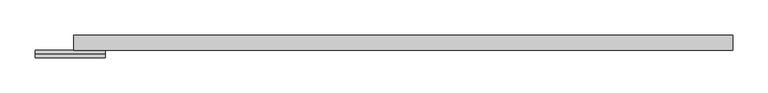
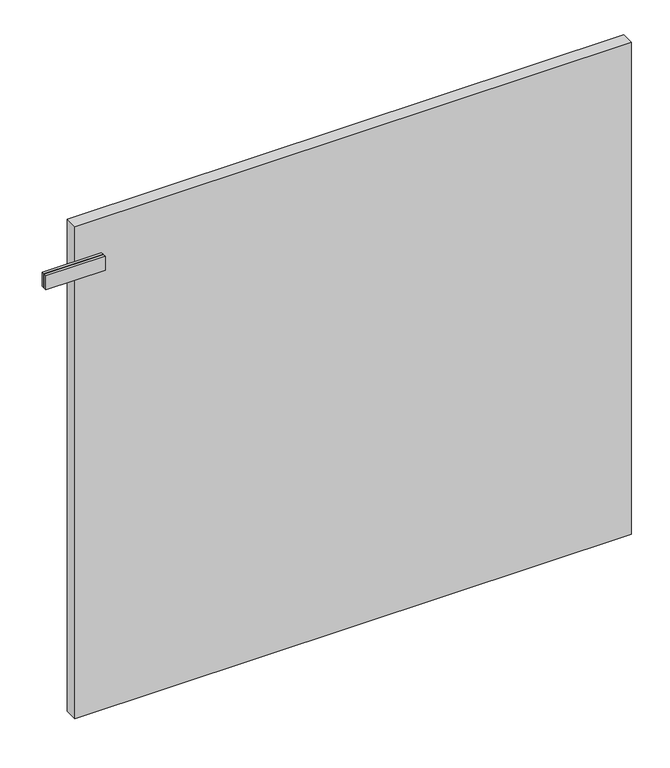
"""IFC4 building model written with IfcOpenShell, lengths in millimetres: plate geometry."""

from ifc_helpers import new_model, si_unit, frame, origin, origin_with_axes, place, context, project, spatial, polyline, outline, extrude, source, transform, mapped, element, save


def plate_45cfa468(model_context):
    return source(origin(), model_context, "Body", "SweptSolid", [
        extrude(outline(polyline([(-425.0000001, -15.75), (-525.0000001, -15.75), (-525.0000001, -10.75), (-425.0000001, -10.75), (-425.0000001, -15.75)])), frame((0.0, 0.0, 791.5), z_axis=(0.0, 0.0, 1.0), x_axis=(1.0, 0.0, 0.0)), (0.0, 0.0, 1.0), 25.0),
        extrude(outline(polyline([(-425.0000001, -16.25), (-425.0000001, -21.25), (-525.0000001, -21.25), (-525.0000001, -16.25), (-425.0000001, -16.25)])), frame((0.0, 0.0, 791.5), z_axis=(0.0, 0.0, 1.0), x_axis=(1.0, 0.0, 0.0)), (0.0, 0.0, 1.0), 25.0),
        extrude(outline(polyline([(470.0000001, 10.75), (470.0000001, -10.75), (-470.0000001, -10.75), (-470.0000001, 10.75), (470.0000001, 10.75)])), origin_with_axes(), (0.0, 0.0, 1.0), 879.0),
    ])


if __name__ == "__main__":
    model = new_model("IFC4")
    model_context = context("Model", 3, world=origin())
    ifc_project = project(units=[si_unit("LENGTHUNIT", "METRE", prefix="MILLI")], contexts=[model_context])
    site = spatial("IfcSite", under=ifc_project)
    building = spatial("IfcBuilding", under=site)
    placement = place(None, origin())
    plate_shape = plate_45cfa468(model_context)
    element("IfcPlate", 1, at=placement, inside=building, context=model_context, shape_type="MappedRepresentation", body=[
        mapped(plate_shape, transform((0.0, 0.0, 0.0), x_axis=(1.0, 0.0, 0.0), y_axis=(0.0, 1.0, 0.0), z_axis=(0.0, 0.0, 1.0))),
    ])
    save(model, "model.ifc")
